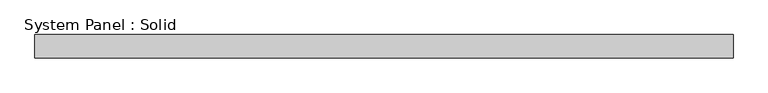
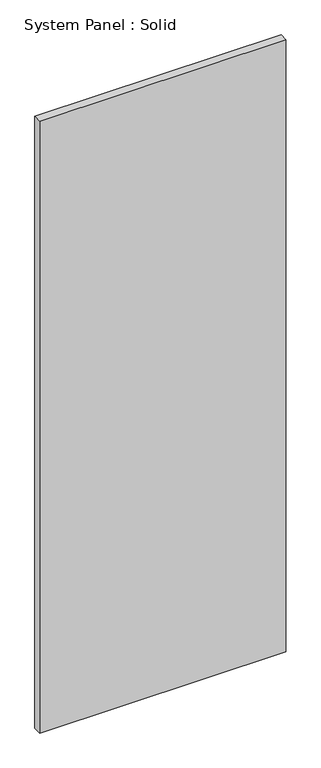
"""IFC4 building model written with IfcOpenShell, lengths in millimetres: plate geometry, System Panel : Solid."""

import ifcopenshell
import ifcopenshell.guid

model = None  # the IFC model being written
_history = None  # IfcOwnerHistory: only IFC2X3 demands one
_inside = {}  # id of a spatial element -> (the spatial element, [elements in it])
_under = {}  # id of a project, library or spatial element -> (it, [spatial elements below it])
_declared = {}  # id of a project -> (the project, [libraries it declares])
_typed = {}  # id of a type object -> (the type object, [elements of that type])
_made_of = {}  # id of a material, layer set ... -> (it, [elements and type objects made of it])


def new_model(schema):
    """Start an empty IFC model of exactly this schema.

    Asked for "IFC4X3", IfcOpenShell would pick the latest addendum, in which some entities
    have other attributes; the version numbers below select the first issue.
    IFC2X3 requires an IfcOwnerHistory on every rooted entity: one is made here for all.
    """
    global model, _history
    if schema == "IFC4X3":
        model = ifcopenshell.file(schema_version=(4, 3, 0, 0))
    else:
        model = ifcopenshell.file(schema=schema)
    _inside.clear()
    _under.clear()
    _declared.clear()
    _typed.clear()
    _made_of.clear()
    _history = None
    if model.schema == "IFC2X3":
        org = make("IfcOrganization", Name="unknown")
        user = make(
            "IfcPersonAndOrganization",
            ThePerson=make("IfcPerson", FamilyName="unknown"),
            TheOrganization=org,
        )
        app = make(
            "IfcApplication",
            ApplicationDeveloper=org,
            Version="unknown",
            ApplicationFullName="unknown",
            ApplicationIdentifier="unknown",
        )
        _history = make(
            "IfcOwnerHistory",
            OwningUser=user,
            OwningApplication=app,
            ChangeAction="ADDED",
            CreationDate=0,
        )
    return model


def make(cls, **values):
    """One entity of the class cls with the attributes given. An attribute that is None is left unset."""
    return model.create_entity(
        cls, **{name: value for name, value in values.items() if value is not None}
    )


def rooted(cls, **values):
    """An entity with a GlobalId (a new one), such as an element, a storey or a relation."""
    return make(cls, GlobalId=ifcopenshell.guid.new(), OwnerHistory=_history, **values)


def si_unit(unit_type, name, prefix=None):
    """IfcSIUnit, for example si_unit("LENGTHUNIT", "METRE", prefix="MILLI")."""
    return make("IfcSIUnit", UnitType=unit_type, Prefix=prefix, Name=name)


def assignment(units):
    """IfcUnitAssignment: the units of a project."""
    return None if units is None else make("IfcUnitAssignment", Units=units)


def point(xyz):
    """IfcCartesianPoint."""
    return None if xyz is None else make("IfcCartesianPoint", Coordinates=xyz)


def direction(xyz):
    """IfcDirection."""
    return None if xyz is None else make("IfcDirection", DirectionRatios=xyz)


def frame(location, z_axis=None, x_axis=None):
    """IfcAxis2Placement3D, a coordinate frame: its origin and axes. An axis left out is left unset."""
    return make(
        "IfcAxis2Placement3D",
        Location=point(location),
        Axis=direction(z_axis),
        RefDirection=direction(x_axis),
    )


def origin():
    """The frame at (0, 0, 0) with its axes left unset."""
    return frame((0.0, 0.0, 0.0))


def origin_with_axes():
    """The frame at (0, 0, 0) with the z axis (0, 0, 1) and the x axis (1, 0, 0) written out."""
    return frame((0.0, 0.0, 0.0), z_axis=(0.0, 0.0, 1.0), x_axis=(1.0, 0.0, 0.0))


def place(relative_to, where):
    """IfcLocalPlacement: puts the frame where relative to a parent placement (None: the world)."""
    return make(
        "IfcLocalPlacement", PlacementRelTo=relative_to, RelativePlacement=where
    )


def context(
    kind, dimensions, precision=None, world=None, true_north=None, identifier=None
):
    """IfcGeometricRepresentationContext, for example the 3D "Model" context."""
    return make(
        "IfcGeometricRepresentationContext",
        ContextIdentifier=identifier,
        ContextType=kind,
        CoordinateSpaceDimension=dimensions,
        Precision=precision,
        WorldCoordinateSystem=world,
        TrueNorth=true_north,
    )


def project(units=None, contexts=None):
    """IfcProject with its units and contexts."""
    return rooted(
        "IfcProject",
        Name="project",
        RepresentationContexts=contexts,
        UnitsInContext=assignment(units),
    )


def spatial(cls, under=None, at=None, **own):
    """A site, building, storey or space (cls), placed at a placement, below another one or the project."""
    s = rooted(cls, ObjectPlacement=at, **own)
    if under is not None:
        _under.setdefault(under.id(), (under, []))[1].append(s)
    return s


def polyline(points):
    """IfcPolyline through the points."""
    return make("IfcPolyline", Points=[point(p) for p in points])


def outline(outer, holes=None, kind="AREA"):
    """IfcArbitraryClosedProfileDef: a profile drawn as a closed curve; with holes, ...WithVoids."""
    if holes is None:
        return make("IfcArbitraryClosedProfileDef", ProfileType=kind, OuterCurve=outer)
    return make(
        "IfcArbitraryProfileDefWithVoids",
        ProfileType=kind,
        OuterCurve=outer,
        InnerCurves=holes,
    )


def extrude(swept, where, along, depth):
    """IfcExtrudedAreaSolid: the profile swept, set in the frame where, extruded along a direction by depth."""
    return make(
        "IfcExtrudedAreaSolid",
        SweptArea=swept,
        Position=where,
        ExtrudedDirection=direction(along),
        Depth=depth,
    )


def shape(context_of_items, identifier, shape_type, items):
    """IfcShapeRepresentation: the items that make up one representation, for example the "Body"."""
    return make(
        "IfcShapeRepresentation",
        ContextOfItems=context_of_items,
        RepresentationIdentifier=identifier,
        RepresentationType=shape_type,
        Items=items,
    )


def source(mapping_origin, context_of_items, identifier, shape_type, items):
    """IfcRepresentationMap: a shape defined once, which mapped items show again and again."""
    return make(
        "IfcRepresentationMap",
        MappingOrigin=mapping_origin,
        MappedRepresentation=shape(context_of_items, identifier, shape_type, items),
    )


def transform(
    local_origin,
    x_axis=None,
    y_axis=None,
    z_axis=None,
    scale=None,
    scale2=None,
    scale3=None,
    uniform=True,
):
    """IfcCartesianTransformationOperator3D, or its non-uniform kind. x_axis, y_axis, z_axis: its Axis1, 2, 3."""
    if uniform:
        return make(
            "IfcCartesianTransformationOperator3D",
            Axis1=direction(x_axis),
            Axis2=direction(y_axis),
            LocalOrigin=point(local_origin),
            Scale=scale,
            Axis3=direction(z_axis),
        )
    return make(
        "IfcCartesianTransformationOperator3DnonUniform",
        Axis1=direction(x_axis),
        Axis2=direction(y_axis),
        LocalOrigin=point(local_origin),
        Scale=scale,
        Axis3=direction(z_axis),
        Scale2=scale2,
        Scale3=scale3,
    )


def mapped(mapping_source, mapping_target):
    """IfcMappedItem: shows the shape of a source again, moved by a transform."""
    return make(
        "IfcMappedItem", MappingSource=mapping_source, MappingTarget=mapping_target
    )


def made_of(thing, what):
    """Note that an element or type object is made of a material, layer set ...; save() writes the relation."""
    if what is not None:
        _made_of.setdefault(what.id(), (what, []))[1].append(thing)
    return thing


def element(
    cls,
    number,
    at=None,
    inside=None,
    cuts=None,
    type_object=None,
    material=None,
    context=None,
    identifier="Body",
    shape_type=None,
    held_by="IfcProductDefinitionShape",
    body=None,
    shapes=None,
    **own,
):
    """One element of the class cls, such as IfcWall. Its Tag is "e" and its number.

    at: its placement. inside: the storey or other place that contains it. cuts: it is an
    opening in that element (IfcRelVoidsElement). A single representation is given by context,
    identifier, shape_type and body (its items); several are given by shapes. held_by: the class
    of the entity that holds the representations. save() writes the other relations.
    """
    e = rooted(cls, Tag="e%d" % number, ObjectPlacement=at, **own)
    if body is not None:
        shapes = [shape(context, identifier, shape_type, body)]
    if shapes is not None:
        e.Representation = make(held_by, Representations=shapes)
    if inside is not None:
        _inside.setdefault(inside.id(), (inside, []))[1].append(e)
    if cuts is not None:
        rooted(
            "IfcRelVoidsElement", RelatingBuildingElement=cuts, RelatedOpeningElement=e
        )
    if type_object is not None:
        _typed.setdefault(type_object.id(), (type_object, []))[1].append(e)
    return made_of(e, material)


def aggregate(whole, parts):
    """IfcRelAggregates: a whole, such as a stair, and the parts it consists of."""
    return rooted("IfcRelAggregates", RelatingObject=whole, RelatedObjects=parts)


def save(model, path):
    """Write the relations noted so far, then the file.

    IfcRelAggregates (storeys below a building ...), IfcRelContainedInSpatialStructure (elements
    in a storey), IfcRelDefinesByType, IfcRelAssociatesMaterial and IfcRelDeclares: one each for
    every whole, place, type object, material and project.
    """
    for whole, parts in _under.values():
        aggregate(whole, parts)
    for where, things in _inside.values():
        rooted(
            "IfcRelContainedInSpatialStructure",
            RelatedElements=things,
            RelatingStructure=where,
        )
    for kind, things in _typed.values():
        rooted("IfcRelDefinesByType", RelatedObjects=things, RelatingType=kind)
    for what, things in _made_of.values():
        rooted("IfcRelAssociatesMaterial", RelatedObjects=things, RelatingMaterial=what)
    for by, libraries in _declared.values():
        rooted("IfcRelDeclares", RelatingContext=by, RelatedDefinitions=libraries)
    model.write(path)


def system_panel_solid_cecb7506(model_context):
    return source(origin(), model_context, "Body", "SweptSolid", [
        extrude(outline(polyline([(750.0000002, -25.0), (-750.0000002, -25.0), (-750.0000002, 25.0), (750.0000002, 25.0), (750.0000002, -25.0)])), origin_with_axes(), (0.0, 0.0, 1.0), 3940.0),
    ])


if __name__ == "__main__":
    model = new_model("IFC4")
    model_context = context("Model", 3, world=origin())
    ifc_project = project(units=[si_unit("LENGTHUNIT", "METRE", prefix="MILLI")], contexts=[model_context])
    site = spatial("IfcSite", under=ifc_project)
    building = spatial("IfcBuilding", under=site)
    placement = place(None, origin())
    system_panel_solid_shape = system_panel_solid_cecb7506(model_context)
    element("IfcPlate", 1, ObjectType="System Panel : Solid", at=placement, inside=building, context=model_context, shape_type="MappedRepresentation", body=[
        mapped(system_panel_solid_shape, transform((0.0, 0.0, 0.0), x_axis=(1.0, 0.0, 0.0), y_axis=(0.0, 1.0, 0.0), z_axis=(0.0, 0.0, 1.0))),
    ])
    save(model, "model.ifc")
